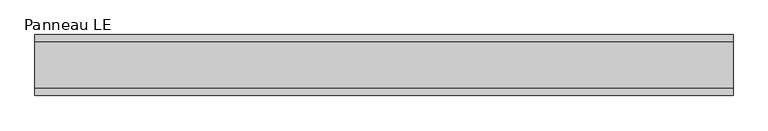
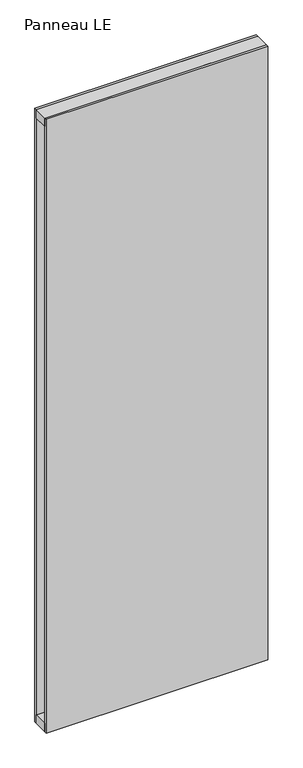
"""IFC4 building model written with IfcOpenShell, lengths in millimetres: plate geometry, Panneau LE."""

from ifc_helpers import new_model, si_unit, frame, origin, origin_with_axes, place, context, project, spatial, polyline, outline, extrude, source, transform, mapped, element, save


def panneau_le_b6e83d35(model_context):
    return source(origin(), model_context, "Body", "SweptSolid", [
        extrude(outline(polyline([(500.7748678, -33.0), (-500.7748678, -33.0), (-500.7748678, 33.0), (500.7748678, 33.0), (500.7748678, -33.0)])), frame((0.0, 0.0, 2893.0), z_axis=(0.0, 0.0, 1.0), x_axis=(1.0, 0.0, 0.0)), (0.0, 0.0, 1.0), 40.0),
        extrude(outline(polyline([(500.7748678, -33.0), (-500.7748678, -33.0), (-500.7748678, 33.0), (500.7748678, 33.0), (500.7748678, -33.0)])), origin_with_axes(), (0.0, 0.0, 1.0), 40.0),
        extrude(outline(polyline([(500.7748678, 33.0), (-500.7748678, 33.0), (-500.7748678, 43.8), (500.7748678, 43.8), (500.7748678, 33.0)])), origin_with_axes(), (0.0, 0.0, 1.0), 2933.0),
        extrude(outline(polyline([(-500.7748678, -43.8), (-500.7748678, -33.0), (500.7748678, -33.0), (500.7748678, -43.8), (-500.7748678, -43.8)])), origin_with_axes(), (0.0, 0.0, 1.0), 2933.0),
    ])


if __name__ == "__main__":
    model = new_model("IFC4")
    model_context = context("Model", 3, world=origin())
    ifc_project = project(units=[si_unit("LENGTHUNIT", "METRE", prefix="MILLI")], contexts=[model_context])
    site = spatial("IfcSite", under=ifc_project)
    building = spatial("IfcBuilding", under=site)
    placement = place(None, origin())
    panneau_le_shape = panneau_le_b6e83d35(model_context)
    element("IfcPlate", 1, ObjectType="Panneau LE", at=placement, inside=building, context=model_context, shape_type="MappedRepresentation", body=[
        mapped(panneau_le_shape, transform((0.0, 0.0, 0.0), x_axis=(1.0, 0.0, 0.0), y_axis=(0.0, 1.0, 0.0), z_axis=(0.0, 0.0, 1.0))),
    ])
    save(model, "model.ifc")
